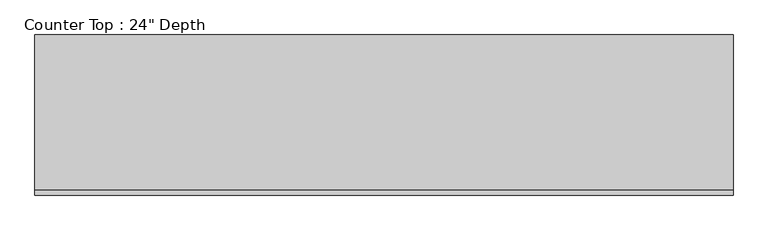
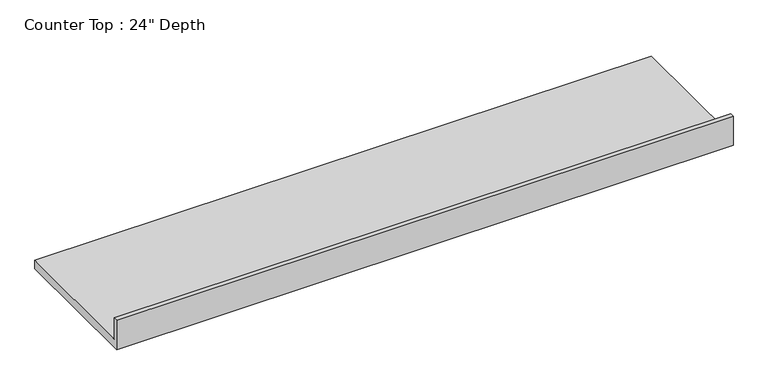
"""IFC4 building model written with IfcOpenShell, lengths in millimetres: furniture geometry."""

from ifc_helpers import new_model, si_unit, frame, origin, place, context, project, spatial, polyline, outline, extrude, source, transform, mapped, element, save


def furniture_a4c1c182(model_context):
    return source(origin(), model_context, "Body", "SweptSolid", [
        extrude(outline(polyline([(0.0, 1016.0), (19.05, 1016.0), (19.05, 914.4), (635.0, 914.4), (635.0, 876.3), (0.0, 876.3), (0.0, 1016.0)])), frame((-1200.4622951, 0.0, 0.0), z_axis=(1.0, 0.0, 0.0), x_axis=(0.0, 1.0, 0.0)), (0.0, 0.0, 1.0), 2768.6),
    ])


if __name__ == "__main__":
    model = new_model("IFC4")
    model_context = context("Model", 3, world=origin())
    ifc_project = project(units=[si_unit("LENGTHUNIT", "METRE", prefix="MILLI")], contexts=[model_context])
    site = spatial("IfcSite", under=ifc_project)
    building = spatial("IfcBuilding", under=site)
    placement = place(None, origin())
    furniture_shape = furniture_a4c1c182(model_context)
    element("IfcFurniture", 1, ObjectType="Counter Top : 24\" Depth", at=placement, inside=building, context=model_context, shape_type="MappedRepresentation", body=[
        mapped(furniture_shape, transform((0.0, 0.0, 0.0), x_axis=(1.0, 0.0, 0.0), y_axis=(0.0, 1.0, 0.0), z_axis=(0.0, 0.0, 1.0))),
    ])
    save(model, "model.ifc")
